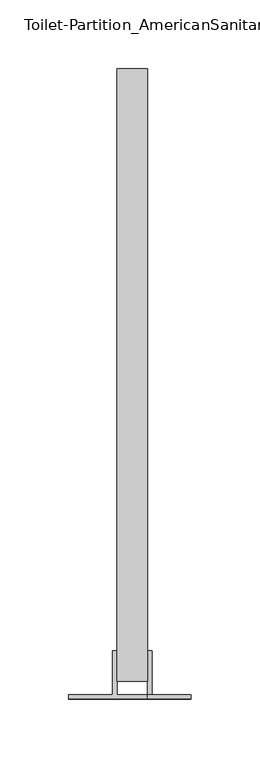
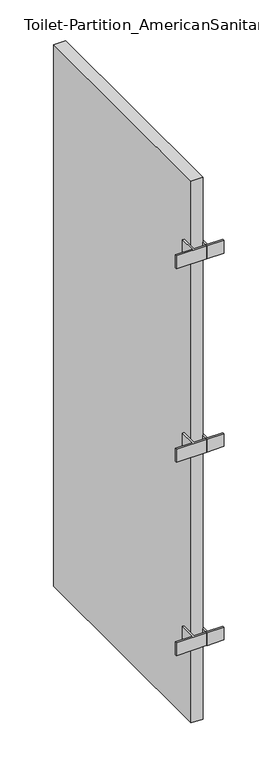
"""IFC4 building model written with IfcOpenShell, lengths in millimetres: proxy geometry, Toilet-Partition_AmericanSanitary_Urinal-Screen-WallHung : As Specified in 10 21 00."""

from ifc_helpers import new_model, si_unit, frame, origin, place, context, project, spatial, polyline, outline, extrude, source, transform, mapped, element, save


def toilet_partition_americansanitary_urinal_screen_wallhung_as_023d7fbb(model_context):
    return source(origin(), model_context, "Body", "SweptSolid", [
        extrude(outline(polyline([(404.9947396, 714.3802205), (373.2447396, 714.3802205), (373.2447396, 717.5552205), (404.9947396, 717.5552205), (404.9947396, 714.3802205)])), frame((0.0, 0.0, 838.2), z_axis=(0.0, 0.0, 1.0), x_axis=(1.0, 0.0, 0.0)), (0.0, 0.0, 1.0), 25.4),
        extrude(outline(polyline([(373.2447396, 717.5552205), (373.2447396, 749.211965), (376.4197396, 749.211965), (376.4197396, 714.3802205), (316.0947396, 714.3802205), (316.0947396, 717.5104872), (347.8447396, 717.5104872), (347.8447396, 749.211965), (351.0197396, 749.211965), (351.0197396, 717.5552205), (373.2447396, 717.5552205)])), frame((0.0, 0.0, 838.2), z_axis=(0.0, 0.0, 1.0), x_axis=(1.0, 0.0, 0.0)), (0.0, 0.0, 1.0), 25.4),
        extrude(outline(polyline([(404.9947396, 714.3802205), (373.2447396, 714.3802205), (373.2447396, 717.5552205), (404.9947396, 717.5552205), (404.9947396, 714.3802205)])), frame((0.0, 0.0, 1219.2), z_axis=(0.0, 0.0, 1.0), x_axis=(1.0, 0.0, 0.0)), (0.0, 0.0, 1.0), 25.4),
        extrude(outline(polyline([(373.2447396, 717.5552205), (373.2447396, 749.211965), (376.4197396, 749.211965), (376.4197396, 714.3802205), (316.0947396, 714.3802205), (316.0947396, 717.5104872), (347.8447396, 717.5104872), (347.8447396, 749.211965), (351.0197396, 749.211965), (351.0197396, 717.5552205), (373.2447396, 717.5552205)])), frame((0.0, 0.0, 1219.2), z_axis=(0.0, 0.0, 1.0), x_axis=(1.0, 0.0, 0.0)), (0.0, 0.0, 1.0), 25.4),
        extrude(outline(polyline([(404.9947396, 714.3802205), (373.2447396, 714.3802205), (373.2447396, 717.5552205), (404.9947396, 717.5552205), (404.9947396, 714.3802205)])), frame((0.0, 0.0, 457.2), z_axis=(0.0, 0.0, 1.0), x_axis=(1.0, 0.0, 0.0)), (0.0, 0.0, 1.0), 25.4),
        extrude(outline(polyline([(373.2447396, 717.5552205), (373.2447396, 749.211965), (376.4197396, 749.211965), (376.4197396, 714.3802205), (316.0947396, 714.3802205), (316.0947396, 717.5104872), (347.8447396, 717.5104872), (347.8447396, 749.211965), (351.0197396, 749.211965), (351.0197396, 717.5552205), (373.2447396, 717.5552205)])), frame((0.0, 0.0, 457.2), z_axis=(0.0, 0.0, 1.0), x_axis=(1.0, 0.0, 0.0)), (0.0, 0.0, 1.0), 25.4),
        extrude(outline(polyline([(373.2447396, 727.0802205), (351.0197396, 727.0802205), (351.0197396, 1171.5802205), (373.2447396, 1171.5802205), (373.2447396, 727.0802205)])), frame((0.0, 0.0, 304.8), z_axis=(0.0, 0.0, 1.0), x_axis=(1.0, 0.0, 0.0)), (0.0, 0.0, 1.0), 1066.8),
    ])


if __name__ == "__main__":
    model = new_model("IFC4")
    model_context = context("Model", 3, world=origin())
    ifc_project = project(units=[si_unit("LENGTHUNIT", "METRE", prefix="MILLI")], contexts=[model_context])
    site = spatial("IfcSite", under=ifc_project)
    building = spatial("IfcBuilding", under=site)
    placement = place(None, origin())
    toilet_partition_americansanitary_urinal_screen_wallhung_as_shape = toilet_partition_americansanitary_urinal_screen_wallhung_as_023d7fbb(model_context)
    element("IfcBuildingElementProxy", 1, Name="Toilet-Partition_AmericanSanitary_Urinal-Screen-WallHung : As Specified in 10 21 00", ObjectType="Toilet-Partition_AmericanSanitary_Urinal-Screen-WallHung : As Specified in 10 21 00", at=placement, inside=building, context=model_context, shape_type="MappedRepresentation", body=[
        mapped(toilet_partition_americansanitary_urinal_screen_wallhung_as_shape, transform((0.0, 0.0, 0.0), x_axis=(1.0, 0.0, 0.0), y_axis=(0.0, 1.0, 0.0), z_axis=(0.0, 0.0, 1.0))),
    ])
    save(model, "model.ifc")
